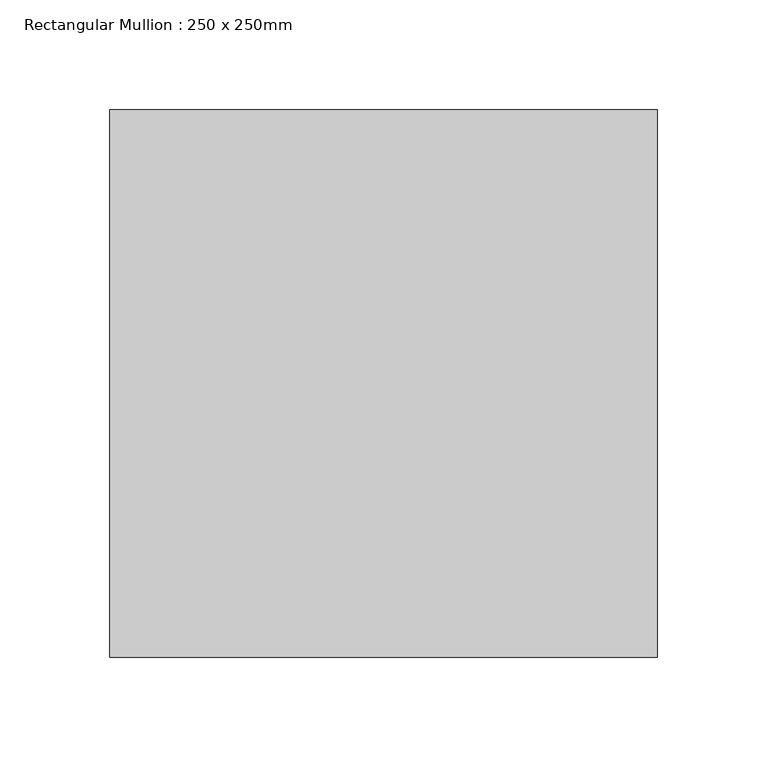
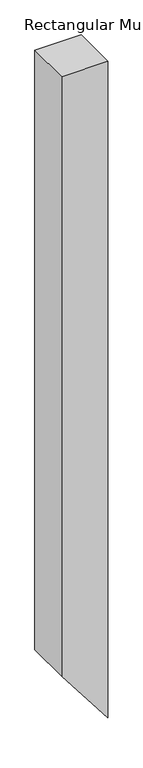
"""IFC4 building model written with IfcOpenShell, lengths in millimetres: member geometry, Rectangular Mullion : 250 x 250mm."""

from ifc_helpers import new_model, si_unit, frame, origin, place, context, project, spatial, polyline, outline, extrude, source, transform, mapped, element, save


def rectangular_mullion_250_x_250mm_ea31ae9e(model_context):
    return source(origin(), model_context, "Body", "SweptSolid", [
        extrude(outline(polyline([(0.0, 0.0), (0.0, -250.0), (-3432.6194579, -250.0), (-3758.4258011, 0.0), (0.0, 0.0)])), frame((0.0, -125.0, 0.0), z_axis=(0.0, 1.0, 0.0), x_axis=(0.0, 0.0, 1.0)), (0.0, 0.0, 1.0), 250.0),
    ])


if __name__ == "__main__":
    model = new_model("IFC4")
    model_context = context("Model", 3, world=origin())
    ifc_project = project(units=[si_unit("LENGTHUNIT", "METRE", prefix="MILLI")], contexts=[model_context])
    site = spatial("IfcSite", under=ifc_project)
    building = spatial("IfcBuilding", under=site)
    placement = place(None, origin())
    rectangular_mullion_250_x_250mm_shape = rectangular_mullion_250_x_250mm_ea31ae9e(model_context)
    element("IfcMember", 1, ObjectType="Rectangular Mullion : 250 x 250mm", at=placement, inside=building, context=model_context, shape_type="MappedRepresentation", body=[
        mapped(rectangular_mullion_250_x_250mm_shape, transform((0.0, 0.0, 0.0), x_axis=(1.0, 0.0, 0.0), y_axis=(0.0, 1.0, 0.0), z_axis=(0.0, 0.0, 1.0))),
    ])
    save(model, "model.ifc")
